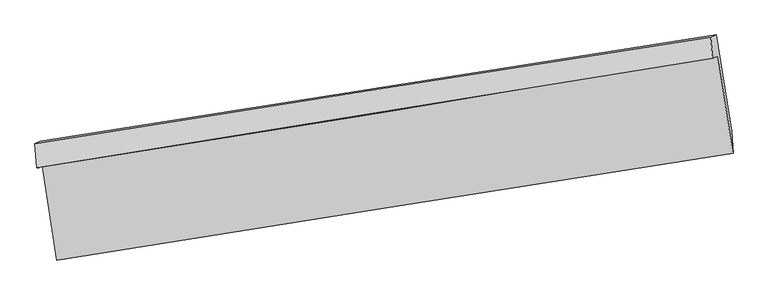
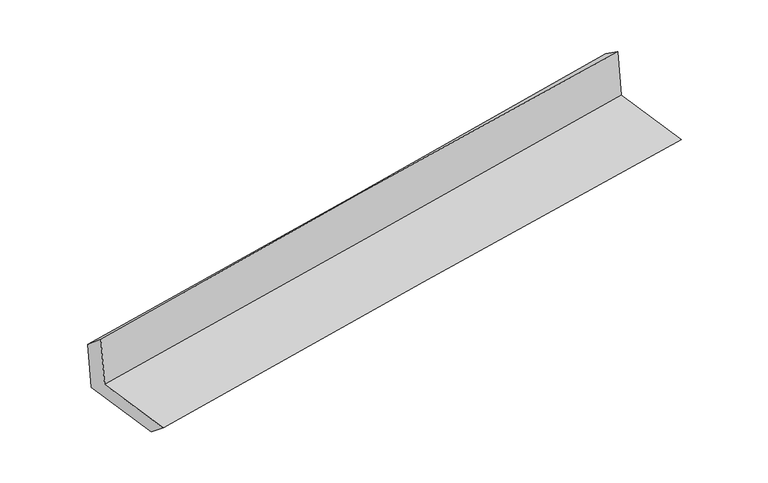
"""IFC4 building model written with IfcOpenShell, lengths in millimetres: proxy geometry."""

from ifc_helpers import new_model, si_unit, frame, origin, place, context, project, spatial, source, transform, mapped, element, save
from ifc_brep_helpers import plane_surface, spline_curve, spline_surface, advanced_brep


def generic_models_cb463b3c(model_context):
    return source(origin(), model_context, "Body", "AdvancedBrep", [
        advanced_brep(
        [(-2367.0752575, -1880.1213884, 1681.978828), (-2264.809382, -2535.8291314, 1667.2328312), (2419.1010748, -1795.3568039, 2084.7862814), (2314.4279881, -1123.6313472, 2099.9010345), (-2405.8757034, -1895.4668006, 2095.2532971), (2277.063769, -1138.4087378, 2497.8778477), (-2417.5047394, -1728.3432035, 1954.0623158), (2264.3668061, -990.901901, 2397.8854747), (-2380.7294685, -1713.7987395, 1562.3585562), (2301.7240271, -976.1272782, 1999.9832004), (-2275.3936857, -2389.1900962, 1547.169901), (2408.0860577, -1643.1430514, 1960.6458478)],
        [
            (0, 1),
            (1, 2, spline_curve(3, [(-2264.809382, -2535.8291314, 1667.2328312), (-1481.57942774, -2411.684689624, 1744.213880714), (-698.015494079, -2287.65052509, 1817.630346807), (863.293496084, -2040.828233717, 1956.756079543), (1641.033048274, -1918.038288818, 2022.524097026), (2419.1010748, -1795.3568039, 2084.7862814)], [4, 2, 4], [0.0, 7.841814248469829, 15.618736684069345])),
            (2, 3),
            (3, 0, spline_curve(3, [(2314.4279881, -1123.6313472, 2099.9010345), (1538.301293206, -1258.864438856, 2037.355055709), (761.73537735, -1389.280002054, 1971.414076339), (-798.758343913, -1641.524080678, 1832.163567599), (-1582.69351011, -1763.271864644, 1758.797144446), (-2367.0752575, -1880.1213884, 1681.978828)], [4, 2, 4], [0.0, 7.776922435599516, 15.618736684069345])),
            (4, 0),
            (3, 5),
            (5, 4, spline_curve(3, [(2277.063769, -1138.4087378, 2497.8778477), (1498.610517625, -1263.320285503, 2442.768337009), (720.757797411, -1388.600577509, 2381.825273972), (-840.232090218, -1640.947085792, 2247.714848483), (-1623.359194168, -1768.019481302, 2174.449728252), (-2405.8757034, -1895.4668006, 2095.2532971)], [4, 2, 4], [0.0, 7.77728880140589, 15.619472472693595])),
            (6, 4),
            (5, 7),
            (7, 6, spline_curve(3, [(2264.3668061, -990.901901, 2397.8854747), (1487.97286664, -1111.819186804, 2315.904697559), (711.242335996, -1233.472875963, 2238.065431384), (-849.375871768, -1479.274303017, 2090.054975237), (-1633.269189919, -1603.43438124, 2019.953188647), (-2417.5047394, -1728.3432035, 1954.0623158)], [4, 2, 4], [0.0, 7.776790933053406, 15.618472581700061])),
            (8, 6),
            (7, 9),
            (9, 8, spline_curve(3, [(2301.7240271, -976.1272782, 1999.9832004), (1524.419355161, -1097.404754678, 1927.702891109), (747.183472668, -1219.258308401, 1855.246270069), (-813.635511816, -1465.139141892, 1709.374343188), (-1597.217461335, -1589.176075147, 1635.956083078), (-2380.7294685, -1713.7987395, 1562.3585562)], [4, 2, 4], [0.0, 7.7765510458525196, 15.61799080564333])),
            (10, 8),
            (9, 11),
            (11, 10, spline_curve(3, [(2408.0860577, -1643.1430514, 1960.6458478), (1630.750522606, -1771.88619087, 1900.34644911), (853.414333211, -1898.180262822, 1835.90087604), (-707.74557039, -2146.903652156, 1698.145041684), (-1491.569295294, -2269.291928794, 1624.765299196), (-2275.3936857, -2389.1900962, 1547.169901)], [4, 2, 4], [0.0, 7.776688761184139, 15.618267385424051])),
            (1, 10),
            (11, 2),
        ],
        [
            spline_surface(3, 3, [[(-2367.0752575, -1880.1213884, 1681.978828), (-1582.693510054, -1763.271864653, 1758.797144505), (-798.758344001, -1641.524080788, 1832.163567477), (761.735377437, -1389.280001945, 1971.41407646), (1538.301293244, -1258.864438728, 2037.35505569), (2314.4279881, -1123.6313472, 2099.9010345)], [(-2332.986632339, -2098.690636068, 1677.063495716), (-1548.988815912, -1979.409472994, 1753.936056591), (-765.177394041, -1856.899562247, 1827.319160539), (795.588083632, -1606.462745817, 1966.528077493), (1572.545211527, -1478.589055448, 2032.411402828), (2349.31901698, -1347.539832765, 2094.862783459)], [(-2298.898007161, -2317.259883732, 1672.148163484), (-1515.284121753, -2195.547081331, 1749.074968728), (-731.596444029, -2072.275043747, 1822.474753664), (829.440789878, -1823.64548973, 1961.64207859), (1606.789129869, -1698.313672175, 2027.46774999), (2384.21004592, -1571.448318335, 2089.824532441)], [(-2264.809382, -2535.8291314, 1667.2328312), (-1481.579427611, -2411.684689673, 1744.213880814), (-698.015494069, -2287.650525206, 1817.630346726), (863.293496074, -2040.828233603, 1956.756079623), (1641.033048153, -1918.038288896, 2022.524097128), (2419.1010748, -1795.3568039, 2084.7862814)]], [4, 4], [4, 2, 4], [0.0, 2.15490188318029], [0.0, 7.841814248469829, 15.618736684069345]),
            spline_surface(3, 3, [[(-2405.8757034, -1895.4668006, 2095.2532971), (-1623.359194216, -1768.019481204, 2174.449728157), (-840.2320903, -1640.947085753, 2247.714848584), (720.757797493, -1388.600577548, 2381.825273872), (1498.610517702, -1263.3202854, 2442.768336986), (2277.063769, -1138.4087378, 2497.8778477)], [(-2392.942221425, -1890.351663204, 1957.495140742), (-1609.803966154, -1766.436942357, 2035.898866948), (-826.407508176, -1641.139417425, 2109.197754901), (734.416990831, -1388.82705234, 2245.021541421), (1511.840776224, -1261.835003187, 2307.630576549), (2289.518508708, -1133.482940945, 2365.218909961)], [(-2380.008739475, -1885.236525796, 1819.736984358), (-1596.248738117, -1764.854403499, 1897.348005714), (-812.582926124, -1641.331749116, 1970.68066116), (748.076184098, -1389.053527152, 2108.217808911), (1525.071034722, -1260.34972094, 2172.492816128), (2301.973248392, -1128.557144055, 2232.559972239)], [(-2367.0752575, -1880.1213884, 1681.978828), (-1582.693510054, -1763.271864653, 1758.797144505), (-798.758344001, -1641.524080788, 1832.163567477), (761.735377437, -1389.280001945, 1971.41407646), (1538.301293244, -1258.864438728, 2037.35505569), (2314.4279881, -1123.6313472, 2099.9010345)]], [4, 4], [4, 2, 4], [0.0, 1.361730977894641], [0.0, 7.842183671287705, 15.619472472693595]),
            spline_surface(3, 3, [[(-2417.5047394, -1728.3432035, 1954.0623158), (-1633.269189894, -1603.434381157, 2019.953188568), (-849.37587184, -1479.274302945, 2090.054975265), (711.242336067, -1233.472876035, 2238.065431356), (1487.972866567, -1111.819186757, 2315.904697643), (2264.3668061, -990.901901, 2397.8854747)], [(-2413.628394084, -1784.051069184, 2001.125976241), (-1629.965858019, -1658.296081156, 2071.452035106), (-846.327944675, -1533.165230568, 2142.608266365), (714.414156527, -1285.182109893, 2285.985378854), (1491.518750293, -1162.31955296, 2358.192577437), (2268.599127081, -1040.070846589, 2431.216265713)], [(-2409.752048716, -1839.758934916, 2048.189636659), (-1626.662526092, -1713.157781204, 2122.950881619), (-843.280017465, -1587.056158129, 2195.161557485), (717.585977032, -1336.89134369, 2333.905326373), (1495.064633976, -1212.819919197, 2400.480457192), (2272.831448019, -1089.239792211, 2464.547056687)], [(-2405.8757034, -1895.4668006, 2095.2532971), (-1623.359194216, -1768.019481204, 2174.449728157), (-840.2320903, -1640.947085753, 2247.714848584), (720.757797493, -1388.600577548, 2381.825273872), (1498.610517702, -1263.3202854, 2442.768336986), (2277.063769, -1138.4087378, 2497.8778477)]], [4, 4], [4, 2, 4], [0.0, 0.7181740916540879], [0.0, 7.841681648646655, 15.618472581700061]),
            spline_surface(3, 3, [[(-2380.7294685, -1713.7987395, 1562.3585562), (-1597.217461426, -1589.176075127, 1635.95608303), (-813.635511886, -1465.139141772, 1709.37434324), (747.183472737, -1219.258308521, 1855.246270018), (1524.419355096, -1097.404754796, 1927.702891203), (2301.7240271, -976.1272782, 1999.9832004)], [(-2392.987892122, -1718.646894174, 1692.926476054), (-1609.234704237, -1593.92884381, 1763.955118197), (-825.5489652, -1469.850862148, 1836.267887259), (735.203093852, -1223.996497678, 1982.852657141), (1512.270525586, -1102.209565462, 2057.103493326), (2289.2716201, -981.052152479, 2132.61729181)], [(-2405.246315778, -1723.495048826, 1823.494395946), (-1621.251947083, -1598.681612473, 1891.954153401), (-837.462418526, -1474.562582568, 1963.161431246), (723.222714953, -1228.734686878, 2110.459044233), (1500.121696077, -1107.014376091, 2186.504095519), (2276.8192131, -985.977026721, 2265.25138329)], [(-2417.5047394, -1728.3432035, 1954.0623158), (-1633.269189894, -1603.434381157, 2019.953188568), (-849.37587184, -1479.274302945, 2090.054975265), (711.242336067, -1233.472876035, 2238.065431356), (1487.972866567, -1111.819186757, 2315.904697643), (2264.3668061, -990.901901, 2397.8854747)]], [4, 4], [4, 2, 4], [0.0, 1.258798843367846], [0.0, 7.841439759790811, 15.61799080564333]),
            spline_surface(3, 3, [[(-2275.3936857, -2389.1900962, 1547.169901), (-1491.569295336, -2269.291928752, 1624.765299081), (-707.745570339, -2146.903652262, 1698.145041706), (853.41433316, -1898.180262717, 1835.900876018), (1630.750522632, -1771.886190905, 1900.346449006), (2408.0860577, -1643.1430514, 1960.6458478)], [(-2310.505613294, -2164.05964397, 1552.232786066), (-1526.785350693, -2042.586644213, 1628.495560397), (-743.042217519, -1919.648815434, 1701.888142208), (818.004046354, -1671.872944653, 1842.349340675), (1595.306800112, -1547.05904551, 1909.46526308), (2372.632047492, -1420.804460308, 1973.758298675)], [(-2345.617540906, -1938.92919173, 1557.295671134), (-1562.001406069, -1815.881359666, 1632.225821714), (-778.338864705, -1692.3939786, 1705.631242738), (782.593759543, -1445.565626584, 1848.797805361), (1559.863077616, -1322.231900191, 1918.584077129), (2337.178037308, -1198.465869292, 1986.870749525)], [(-2380.7294685, -1713.7987395, 1562.3585562), (-1597.217461426, -1589.176075127, 1635.95608303), (-813.635511886, -1465.139141772, 1709.37434324), (747.183472737, -1219.258308521, 1855.246270018), (1524.419355096, -1097.404754796, 1927.702891203), (2301.7240271, -976.1272782, 1999.9832004)]], [4, 4], [4, 2, 4], [0.0, 2.2596484514646593], [0.0, 7.841578624239912, 15.618267385424051]),
            spline_surface(3, 3, [[(-2264.809382, -2535.8291314, 1667.2328312), (-1481.579427611, -2411.684689673, 1744.213880814), (-698.015494069, -2287.650525206, 1817.630346726), (863.293496074, -2040.828233603, 1956.756079623), (1641.033048153, -1918.038288896, 2022.524097128), (2419.1010748, -1795.3568039, 2084.7862814)], [(-2268.337483237, -2486.949453001, 1627.21185448), (-1484.909383522, -2364.220436034, 1704.397686916), (-701.258852823, -2240.734900903, 1777.801911727), (860.000441772, -1993.278909986, 1916.471011762), (1637.605539652, -1869.320922913, 1981.798214436), (2415.429402439, -1744.618886415, 2043.406136882)], [(-2271.865584463, -2438.069774599, 1587.19087772), (-1488.239339424, -2316.756182392, 1664.581492978), (-704.502211585, -2193.819276564, 1737.973476706), (856.707387462, -1945.729586333, 1876.185943879), (1634.178031133, -1820.603556887, 1941.072331697), (2411.757730061, -1693.880968885, 2002.025992318)], [(-2275.3936857, -2389.1900962, 1547.169901), (-1491.569295336, -2269.291928752, 1624.765299081), (-707.745570339, -2146.903652262, 1698.145041706), (853.41433316, -1898.180262717, 1835.900876018), (1630.750522632, -1771.886190905, 1900.346449006), (2408.0860577, -1643.1430514, 1960.6458478)]], [4, 4], [4, 2, 4], [0.0, 0.6103738572265468], [0.0, 7.84173701291852, 15.618582852098793]),
            plane_surface(frame((2330.7949538, -1277.9281866, 2173.5132811), z_axis=(0.9836562986073976, 0.15107614155553303, 0.09796063322930841), x_axis=(-0.09341054781102232, -0.03694347641410924, 0.994942033039154))),
            plane_surface(frame((-2351.8980394, -2023.7915599, 1751.3426216), z_axis=(-0.9836358485628492, -0.151207319974816, -0.09796358409162703), x_axis=(-0.15406163370449352, 0.9878114829948376, 0.02221456917975718))),
        ],
        [
            (0, [[1, 2, 3, 4]]),
            (1, [[5, -4, 6, 7]]),
            (2, [[8, -7, 9, 10]]),
            (3, [[11, -10, 12, 13]]),
            (4, [[14, -13, 15, 16]]),
            (5, [[17, -16, 18, -2]]),
            (6, [[-12, -9, -6, -3, -18, -15]]),
            (7, [[-1, -5, -8, -11, -14, -17]]),
        ],
    ),
    ])


if __name__ == "__main__":
    model = new_model("IFC4")
    model_context = context("Model", 3, world=origin())
    ifc_project = project(units=[si_unit("LENGTHUNIT", "METRE", prefix="MILLI")], contexts=[model_context])
    site = spatial("IfcSite", under=ifc_project)
    building = spatial("IfcBuilding", under=site)
    placement = place(None, origin())
    generic_models_shape = generic_models_cb463b3c(model_context)
    element("IfcBuildingElementProxy", 1, Name="Generic Models", at=placement, inside=building, context=model_context, shape_type="MappedRepresentation", body=[
        mapped(generic_models_shape, transform((0.0, 0.0, 0.0), x_axis=(1.0, 0.0, 0.0), y_axis=(0.0, 1.0, 0.0), z_axis=(0.0, 0.0, 1.0))),
    ])
    save(model, "model.ifc")
